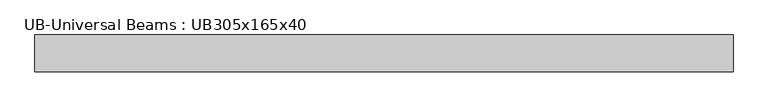
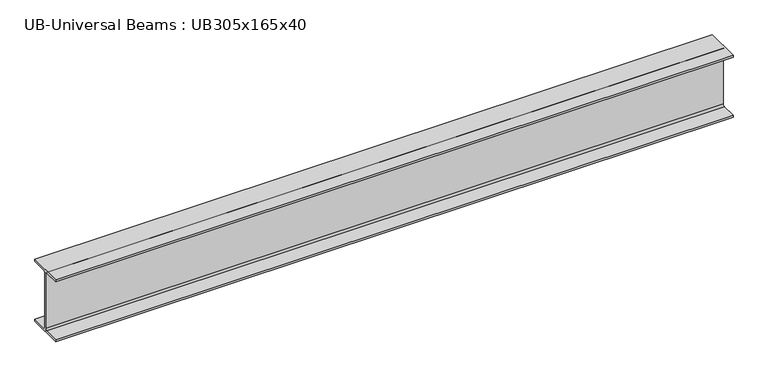
"""IFC4 building model written with IfcOpenShell, lengths in millimetres: beam geometry, UB-Universal Beams : UB305x165x40."""

from ifc_helpers import new_model, si_unit, point, frame, frame_2d, origin, place, context, project, spatial, polyline, circle_curve, trimmed, segment, composite_curve, outline, extrude, source, transform, mapped, element, save


def ub_universal_beams_ub305x165x40_f5f2104c(model_context):
    return source(origin(), model_context, "Body", "SweptSolid", [
        extrude(outline(composite_curve([segment(polyline([(82.5, -141.5), (82.5, -151.7), (-82.5, -151.7), (-82.5, -141.5), (-11.9, -141.5)]), True, "CONTINUOUS"), segment(trimmed(circle_curve(frame_2d((-11.9, -132.6)), 8.9), [point((-11.9, -141.5))], [point((-3.0, -132.6))], True, "CARTESIAN"), True, "CONTINUOUS"), segment(polyline([(-3.0, -132.6), (-3.0, 132.6)]), True, "CONTINUOUS"), segment(trimmed(circle_curve(frame_2d((-11.9, 132.6)), 8.9), [point((-3.0, 132.6))], [point((-11.9, 141.5))], True, "CARTESIAN"), True, "CONTINUOUS"), segment(polyline([(-11.9, 141.5), (-82.5, 141.5), (-82.5, 151.7), (82.5, 151.7), (82.5, 141.5), (11.9, 141.5)]), True, "CONTINUOUS"), segment(trimmed(circle_curve(frame_2d((11.9, 132.6)), 8.9), [point((11.9, 141.5))], [point((3.0, 132.6))], True, "CARTESIAN"), True, "CONTINUOUS"), segment(polyline([(3.0, 132.6), (3.0, -132.6)]), True, "CONTINUOUS"), segment(trimmed(circle_curve(frame_2d((11.9, -132.6)), 8.9), [point((3.0, -132.6))], [point((11.9, -141.5))], True, "CARTESIAN"), True, "CONTINUOUS"), segment(polyline([(11.9, -141.5), (82.5, -141.5)]), True, "CONTINUOUS")], self_intersect=False)), frame((-1607.5, 0.0, 0.0), z_axis=(1.0, 0.0, 0.0), x_axis=(0.0, 1.0, 0.0)), (0.0, 0.0, 1.0), 3132.5),
    ])


if __name__ == "__main__":
    model = new_model("IFC4")
    model_context = context("Model", 3, world=origin())
    ifc_project = project(units=[si_unit("LENGTHUNIT", "METRE", prefix="MILLI")], contexts=[model_context])
    site = spatial("IfcSite", under=ifc_project)
    building = spatial("IfcBuilding", under=site)
    placement = place(None, origin())
    ub_universal_beams_ub305x165x40_shape = ub_universal_beams_ub305x165x40_f5f2104c(model_context)
    element("IfcBeam", 1, ObjectType="UB-Universal Beams : UB305x165x40", at=placement, inside=building, context=model_context, shape_type="MappedRepresentation", body=[
        mapped(ub_universal_beams_ub305x165x40_shape, transform((0.0, 0.0, 0.0), x_axis=(1.0, 0.0, 0.0), y_axis=(0.0, 1.0, 0.0), z_axis=(0.0, 0.0, 1.0))),
    ])
    save(model, "model.ifc")
